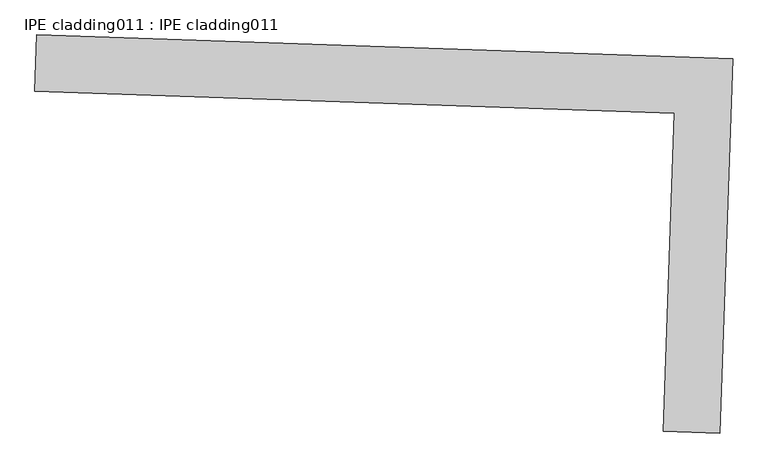
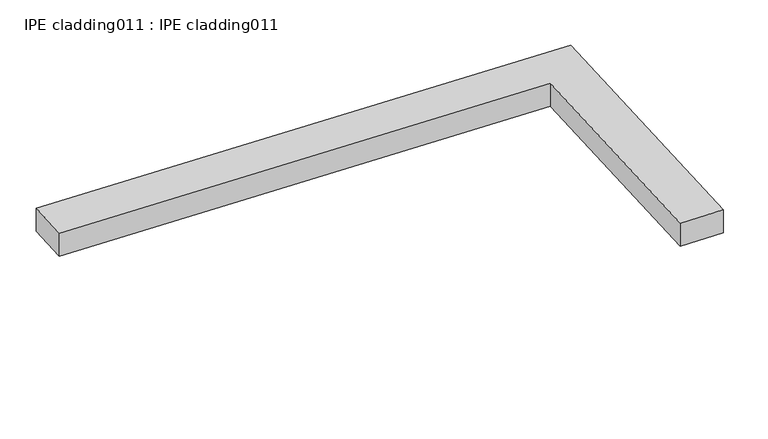
"""IFC4 building model written with IfcOpenShell, lengths in millimetres: proxy geometry, IPE cladding011 : IPE cladding011."""

from ifc_helpers import new_model, si_unit, frame, origin, place, context, project, spatial, polyline, outline, extrude, source, transform, mapped, element, save


def ipe_cladding011_ipe_cladding011_217dc385(model_context):
    return source(origin(), model_context, "Body", "SweptSolid", [
        extrude(outline(polyline([(17306.5036743, -14579.7358985), (17309.5442112, -14490.8879097), (18404.9713728, -14528.3753822), (18384.8189496, -15117.2524208), (18295.9709605, -15114.2118841), (18313.0828472, -14614.1828342), (17306.5036743, -14579.7358985)])), frame((0.0, 0.0, 1445.575707), z_axis=(0.0, 0.0, 1.0), x_axis=(1.0, 0.0, 0.0)), (0.0, 0.0, 1.0), 50.8),
    ])


if __name__ == "__main__":
    model = new_model("IFC4")
    model_context = context("Model", 3, world=origin())
    ifc_project = project(units=[si_unit("LENGTHUNIT", "METRE", prefix="MILLI")], contexts=[model_context])
    site = spatial("IfcSite", under=ifc_project)
    building = spatial("IfcBuilding", under=site)
    placement = place(None, origin())
    ipe_cladding011_ipe_cladding011_shape = ipe_cladding011_ipe_cladding011_217dc385(model_context)
    element("IfcBuildingElementProxy", 1, Name="IPE cladding011 : IPE cladding011", ObjectType="IPE cladding011 : IPE cladding011", at=placement, inside=building, context=model_context, shape_type="MappedRepresentation", body=[
        mapped(ipe_cladding011_ipe_cladding011_shape, transform((0.0, 0.0, 0.0), x_axis=(1.0, 0.0, 0.0), y_axis=(0.0, 1.0, 0.0), z_axis=(0.0, 0.0, 1.0))),
    ])
    save(model, "model.ifc")
